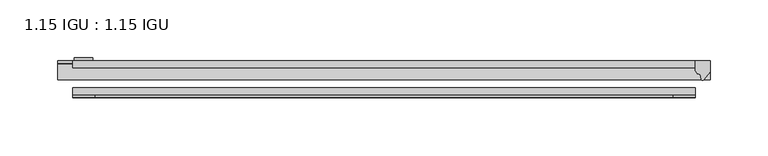
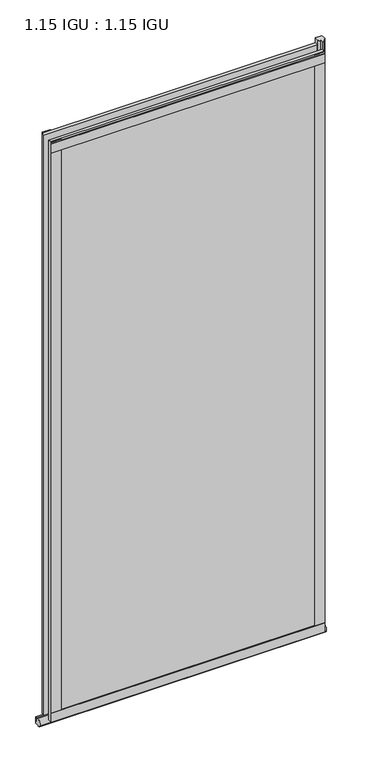
"""IFC4 building model written with IfcOpenShell, lengths in millimetres: plate geometry, 1.15 IGU : 1.15 IGU."""

from ifc_helpers import new_model, si_unit, point, frame, frame_2d, origin, place, context, project, spatial, polyline, circle_curve, ellipse_curve, trimmed, segment, composite_curve, outline, extrude, source, transform, mapped, element, save
from ifc_brep_helpers import plane_surface, revolved_surface, extruded_surface, advanced_brep


def plate_1_15_igu_1_15_igu_e0f9ed6f(model_context):
    return source(origin(), model_context, "Body", "SolidModel", [
        extrude(outline(polyline([(268.351, 0.0), (268.351, -6.2992), (-268.351, -6.2992), (-268.351, 0.0), (268.351, 0.0)])), frame((0.0, 0.0, -19.05), z_axis=(0.0, 0.0, 1.0), x_axis=(1.0, 0.0, 0.0)), (0.0, 0.0, 1.0), 1203.325),
        extrude(outline(polyline([(-268.351, -23.1648), (268.351, -23.1648), (268.351, -29.464), (-268.351, -29.464), (-268.351, -23.1648)])), frame((0.0, 0.0, -19.05), z_axis=(0.0, 0.0, 1.0), x_axis=(1.0, 0.0, 0.0)), (0.0, 0.0, 1.0), 1203.325),
        advanced_brep(
        [(281.051, -2.9334208, -29.3692082), (281.051, -15.7658436, -30.8313288), (281.051, -6.7904952, -34.925), (281.051, 0.0, -34.925), (281.051, 0.0, -22.225), (281.051, -2.5187477, -22.225), (-281.051, -2.9073519, -29.3720514), (-281.051, -2.5187477, -22.225), (-281.051, 0.0, -22.225), (-281.051, 0.0, -34.925), (-281.051, -6.7904952, -34.925), (-281.051, -15.7658436, -30.8313288)],
        [
            (0, 1, ellipse_curve(frame((281.051, -9.5065066, -28.575), z_axis=(1.0, 0.0, 0.0), x_axis=(0.0, 0.0, -1.0)), 6.9638038, 6.6162554)),
            (1, 2, ellipse_curve(frame((281.051, -9.5065066, -28.575), z_axis=(1.0, 0.0, 0.0), x_axis=(0.0, 0.0, -1.0)), 6.9638038, 6.6162554)),
            (2, 3),
            (3, 4, circle_curve(frame((281.051, 24.1576838, -28.575), z_axis=(-1.0, 0.0, 0.0), x_axis=(0.0, 0.0, 1.0)), 24.9783143)),
            (4, 5),
            (5, 0, circle_curve(frame((281.051, -68.4358767, -22.225), z_axis=(-1.0, 0.0, 0.0), x_axis=(0.0, 0.0, 1.0)), 65.917129)),
            (6, 7, circle_curve(frame((-281.051, -68.4358767, -22.225), z_axis=(1.0, 0.0, 0.0), x_axis=(0.0, 0.0, 1.0)), 65.917129)),
            (7, 8),
            (8, 9, circle_curve(frame((-281.051, 24.1576838, -28.575), z_axis=(1.0, 0.0, 0.0), x_axis=(0.0, 0.0, 1.0)), 24.9783143)),
            (9, 10),
            (10, 11, ellipse_curve(frame((-281.051, -9.5065066, -28.575), z_axis=(-1.0, 0.0, 0.0), x_axis=(0.0, 0.0, -1.0)), 6.9638038, 6.6162554)),
            (11, 6, ellipse_curve(frame((-281.051, -9.5065066, -28.575), z_axis=(-1.0, 0.0, 0.0), x_axis=(0.0, 0.0, -1.0)), 6.9638038, 6.6162554)),
            (0, 6),
            (11, 1),
            (10, 2),
            (9, 3),
            (8, 4),
            (7, 5),
        ],
        [
            plane_surface(frame((281.051, 0.0, -28.575), z_axis=(1.0, 0.0, 0.0), x_axis=(0.0, 1.0, 0.0))),
            plane_surface(frame((-281.051, 0.0, -28.575), z_axis=(-1.0, 0.0, 0.0), x_axis=(0.0, 1.0, 0.0))),
            extruded_surface(trimmed(ellipse_curve(frame((-281.051, -9.5065066, -28.575), z_axis=(1.0, 0.0, 0.0), x_axis=(0.0, 0.0, -1.0)), 6.9638038, 6.6162554), [point((-281.051, -2.9334208, -29.3692082))], [point((-281.051, -15.7658436, -30.8313288))], True, "CARTESIAN"), (562.102, 0.0, 0.0), 562.102),
            extruded_surface(trimmed(ellipse_curve(frame((-281.051, -9.5065066, -28.575), z_axis=(1.0, 0.0, 0.0), x_axis=(0.0, 0.0, -1.0)), 6.9638038, 6.6162554), [point((-281.051, -15.7658436, -30.8313288))], [point((-281.051, -6.7904952, -34.925))], True, "CARTESIAN"), (562.102, 0.0, 0.0), 562.102),
            plane_surface(frame((281.051, -6.7904952, -34.925), z_axis=(0.0, 0.0, -1.0), x_axis=(-1.0, 0.0, 0.0))),
            revolved_surface(polyline([(-281.051, 24.1576838, -3.5966856999999983), (281.051, 24.1576838, -3.5966856999999983)]), (281.051, 24.1576838, -28.575), (-1.0, 0.0, 0.0)),
            plane_surface(frame((281.051, 0.0, -22.225), z_axis=(0.0, 0.0, 1.0), x_axis=(-1.0, 0.0, 0.0))),
            revolved_surface(polyline([(-281.051, -68.4358767, 43.692129), (281.051, -68.4358767, 43.692129)]), (281.051, -68.4358767, -22.225), (-1.0, 0.0, 0.0)),
        ],
        [
            (0, [[1, 2, 3, 4, 5, 6]]),
            (1, [[7, 8, 9, 10, 11, 12]]),
            (2, [[-1, 13, -12, 14]]),
            (3, [[-2, -14, -11, 15]]),
            (4, [[-3, -15, -10, 16]]),
            (5, [[-4, -16, -9, 17]]),
            (6, [[-5, -17, -8, 18]]),
            (7, [[-6, -18, -7, -13]]),
        ],
    ),
        extrude(outline(composite_curve([segment(polyline([(281.051, 0.0), (281.051, -9.7395025), (275.4847691, -16.3730781)]), True, "CONTINUOUS"), segment(trimmed(circle_curve(frame_2d((274.5310941, -15.7728374)), 1.1268473), [point((275.4847691, -16.3730781))], [point((273.4301412, -16.0130197))], False, "CARTESIAN"), True, "CONTINUOUS"), segment(polyline([(273.4301412, -16.0130197), (272.4499498, -11.7377885)]), True, "CONTINUOUS"), segment(trimmed(circle_curve(frame_2d((272.3224979, -7.7683362)), 3.9714979), [point((272.4499498, -11.7377885))], [point((268.3511786, -7.8060014))], False, "CARTESIAN"), True, "CONTINUOUS"), segment(polyline([(268.3511786, -7.8060014), (268.3511786, 0.0), (281.051, 0.0)]), True, "CONTINUOUS")], self_intersect=False)), frame((0.0, 0.0, -19.05), z_axis=(0.0, 0.0, 1.0), x_axis=(1.0, 0.0, 0.0)), (0.0, 0.0, 1.0), 1213.6374),
        extrude(outline(polyline([(-268.351, -31.75), (-268.351, -29.464), (268.351, -29.464), (268.351, -31.75), (-268.351, -31.75)])), frame((0.0, 0.0, -19.05), z_axis=(0.0, 0.0, 1.0), x_axis=(1.0, 0.0, 0.0)), (0.0, 0.0, 1.0), 19.05),
        extrude(outline(polyline([(-268.351, -31.75), (-268.351, -29.464), (268.351, -29.464), (268.351, -31.75), (-268.351, -31.75)])), frame((0.0, 0.0, 1162.05), z_axis=(0.0, 0.0, 1.0), x_axis=(1.0, 0.0, 0.0)), (0.0, 0.0, 1.0), 19.05),
        extrude(outline(polyline([(249.301, -29.464), (268.351, -29.464), (268.351, -31.75), (249.301, -31.75), (249.301, -29.464)])), frame((0.0, 0.0, -19.05), z_axis=(0.0, 0.0, 1.0), x_axis=(1.0, 0.0, 0.0)), (0.0, 0.0, 1.0), 1203.325),
        extrude(outline(polyline([(-268.351, -31.75), (-268.351, -29.464), (-249.301, -29.464), (-249.301, -31.75), (-268.351, -31.75)])), frame((0.0, 0.0, -19.05), z_axis=(0.0, 0.0, 1.0), x_axis=(1.0, 0.0, 0.0)), (0.0, 0.0, 1.0), 1203.325),
        extrude(outline(polyline([(-267.1445, 0.0), (-267.1445, 2.286), (-251.2695, 2.286), (-251.2695, 0.0), (-267.1445, 0.0)])), frame((0.0, 0.0, -19.05), z_axis=(0.0, 0.0, 1.0), x_axis=(1.0, 0.0, 0.0)), (0.0, 0.0, 1.0), 1203.325),
    ])


if __name__ == "__main__":
    model = new_model("IFC4")
    model_context = context("Model", 3, world=origin())
    ifc_project = project(units=[si_unit("LENGTHUNIT", "METRE", prefix="MILLI")], contexts=[model_context])
    site = spatial("IfcSite", under=ifc_project)
    building = spatial("IfcBuilding", under=site)
    placement = place(None, origin())
    plate_1_15_igu_1_15_igu_shape = plate_1_15_igu_1_15_igu_e0f9ed6f(model_context)
    element("IfcPlate", 1, ObjectType="1.15 IGU : 1.15 IGU", at=placement, inside=building, context=model_context, shape_type="MappedRepresentation", body=[
        mapped(plate_1_15_igu_1_15_igu_shape, transform((0.0, 0.0, 0.0), x_axis=(1.0, 0.0, 0.0), y_axis=(0.0, 1.0, 0.0), z_axis=(0.0, 0.0, 1.0))),
    ])
    save(model, "model.ifc")
